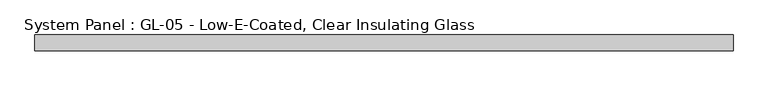
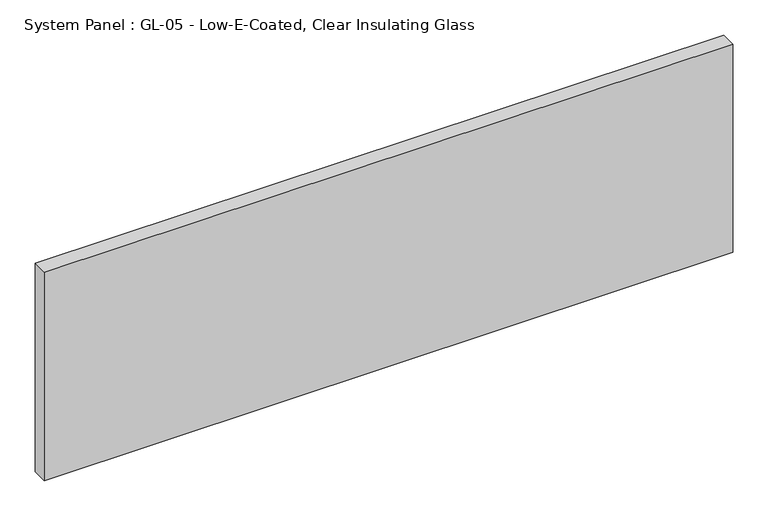
"""IFC4 building model written with IfcOpenShell, lengths in millimetres: plate geometry, System Panel : GL-05 - Low-E-Coated, Clear Insulating Glass."""

from ifc_helpers import new_model, si_unit, origin, origin_with_axes, place, context, project, spatial, polyline, outline, extrude, source, transform, mapped, element, save


def system_panel_gl_05_low_e_coated_clear_insulating_glass_15beb154(model_context):
    return source(origin(), model_context, "Body", "SweptSolid", [
        extrude(outline(polyline([(565.712018, -12.7), (-565.712018, -12.7), (-565.712018, 12.7), (565.712018, 12.7), (565.712018, -12.7)])), origin_with_axes(), (0.0, 0.0, 1.0), 361.95),
    ])


if __name__ == "__main__":
    model = new_model("IFC4")
    model_context = context("Model", 3, world=origin())
    ifc_project = project(units=[si_unit("LENGTHUNIT", "METRE", prefix="MILLI")], contexts=[model_context])
    site = spatial("IfcSite", under=ifc_project)
    building = spatial("IfcBuilding", under=site)
    placement = place(None, origin())
    system_panel_gl_05_low_e_coated_clear_insulating_glass_shape = system_panel_gl_05_low_e_coated_clear_insulating_glass_15beb154(model_context)
    element("IfcPlate", 1, ObjectType="System Panel : GL-05 - Low-E-Coated, Clear Insulating Glass", at=placement, inside=building, context=model_context, shape_type="MappedRepresentation", body=[
        mapped(system_panel_gl_05_low_e_coated_clear_insulating_glass_shape, transform((0.0, 0.0, 0.0), x_axis=(1.0, 0.0, 0.0), y_axis=(0.0, 1.0, 0.0), z_axis=(0.0, 0.0, 1.0))),
    ])
    save(model, "model.ifc")
